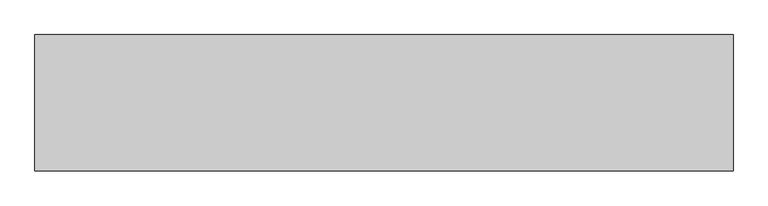
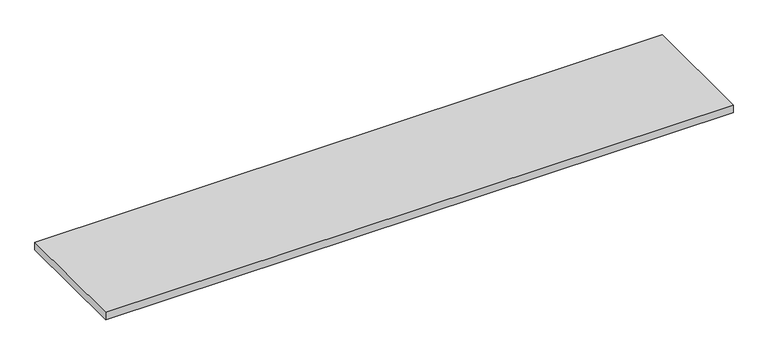
"""IFC4 building model written with IfcOpenShell, lengths in millimetres: furniture geometry."""

from ifc_helpers import new_model, si_unit, frame, origin, place, context, project, spatial, polyline, outline, extrude, source, transform, mapped, element, save


def furniture_fdc2757e(model_context):
    return source(origin(), model_context, "Body", "SweptSolid", [
        extrude(outline(polyline([(1219.2, 238.125), (1219.2, -238.125), (-1219.2, -238.125), (-1219.2, 238.125), (1219.2, 238.125)])), frame((0.0, 0.0, 706.4375), z_axis=(0.0, 0.0, 1.0), x_axis=(1.0, 0.0, 0.0)), (0.0, 0.0, 1.0), 30.1625),
    ])


if __name__ == "__main__":
    model = new_model("IFC4")
    model_context = context("Model", 3, world=origin())
    ifc_project = project(units=[si_unit("LENGTHUNIT", "METRE", prefix="MILLI")], contexts=[model_context])
    site = spatial("IfcSite", under=ifc_project)
    building = spatial("IfcBuilding", under=site)
    placement = place(None, origin())
    furniture_shape = furniture_fdc2757e(model_context)
    element("IfcFurniture", 1, at=placement, inside=building, context=model_context, shape_type="MappedRepresentation", body=[
        mapped(furniture_shape, transform((0.0, 0.0, 0.0), x_axis=(1.0, 0.0, 0.0), y_axis=(0.0, 1.0, 0.0), z_axis=(0.0, 0.0, 1.0))),
    ])
    save(model, "model.ifc")
